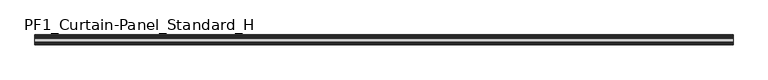
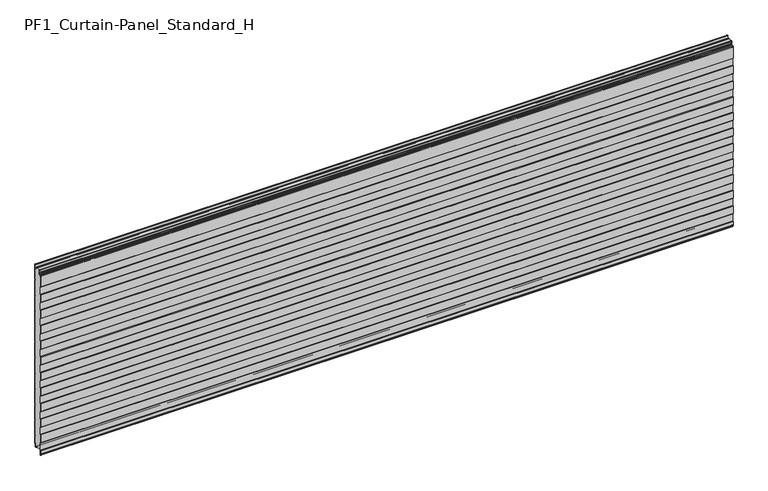
"""IFC4 building model written with IfcOpenShell, lengths in millimetres: plate geometry, PF1_Curtain-Panel_Standard_H."""

from ifc_helpers import new_model, si_unit, point, frame, frame_2d, origin, place, context, project, spatial, polyline, circle_curve, trimmed, segment, composite_curve, outline, extrude, source, transform, mapped, element, save


def pf1_curtain_panel_standard_h_1e0e9039(model_context):
    return source(origin(), model_context, "Body", "SweptSolid", [
        extrude(outline(composite_curve([segment(polyline([(-15.878557, 0.0), (-20.0, 0.0), (-20.0, 0.8), (-15.878557, 0.8)]), True, "CONTINUOUS"), segment(trimmed(circle_curve(frame_2d((-15.878557, -2.0)), 2.8), [point((-15.878557, 0.8))], [point((-13.1503208, -1.370137))], False, "CARTESIAN"), True, "CONTINUOUS"), segment(polyline([(-13.1503208, -1.370137), (-11.728236, -7.529863)]), True, "CONTINUOUS"), segment(trimmed(circle_curve(frame_2d((-9.0, -6.9)), 2.8), [point((-11.728236, -7.529863))], [point((-6.2, -6.9))], True, "CARTESIAN"), True, "CONTINUOUS"), segment(polyline([(-6.2, -6.9), (-6.2, 8.6)]), True, "CONTINUOUS"), segment(trimmed(circle_curve(frame_2d((-3.4, 8.6)), 2.8), [point((-6.2, 8.6))], [point((-3.4, 11.4))], False, "CARTESIAN"), True, "CONTINUOUS"), segment(polyline([(-3.4, 11.4), (-2.0, 11.4)]), True, "CONTINUOUS"), segment(trimmed(circle_curve(frame_2d((-2.0, 12.6)), 1.2), [point((-2.0, 11.4))], [point((-0.8, 12.6))], True, "CARTESIAN"), True, "CONTINUOUS"), segment(polyline([(-0.8, 12.6), (-0.8, 57.6856412), (-2.482606, 60.6), (-0.8, 63.5143588), (-0.8, 157.6856412), (-2.482606, 160.6), (-0.8, 163.5143588), (-0.8, 257.6856412), (-2.482606, 260.6), (-0.8, 263.5143588), (-0.8, 357.6856412), (-2.482606, 360.6), (-0.8, 363.5143588), (-0.8, 457.6856412), (-2.482606, 460.6), (-0.8, 463.5143588), (-0.8, 557.6856412), (-2.482606, 560.6), (-0.8, 563.5143588), (-0.8, 657.6856412), (-2.482606, 660.6), (-0.8, 663.5143588), (-0.8, 757.6856412), (-2.482606, 760.6), (-0.8, 763.5143588), (-0.8, 857.6856412), (-2.482606, 860.6), (-0.8, 863.5143588), (-0.8, 957.6856412), (-2.482606, 960.6), (-0.8, 963.5143588), (-0.8, 1057.6856412), (-2.482606, 1060.6), (-0.8, 1063.5143588), (-0.8, 1158.268846)]), True, "CONTINUOUS"), segment(trimmed(circle_curve(frame_2d((-2.5, 1158.268846)), 1.7), [point((-0.8, 1158.268846))], [point((-4.2, 1158.268846))], True, "CARTESIAN"), True, "CONTINUOUS"), segment(polyline([(-4.2, 1158.268846), (-4.2, 1141.268846)]), True, "CONTINUOUS"), segment(trimmed(circle_curve(frame_2d((-9.0, 1141.268846)), 4.8), [point((-4.2, 1141.268846))], [point((-13.7270771, 1140.4353344))], False, "CARTESIAN"), True, "CONTINUOUS"), segment(polyline([(-13.7270771, 1140.4353344), (-14.8636953, 1146.8814129)]), True, "CONTINUOUS"), segment(trimmed(circle_curve(frame_2d((-16.6363492, 1146.568846)), 1.8), [point((-14.8636953, 1146.8814129))], [point((-16.6363492, 1148.368846))], True, "CARTESIAN"), True, "CONTINUOUS"), segment(polyline([(-16.6363492, 1148.368846), (-20.0, 1148.368846), (-20.0, 1149.168846), (-16.6363492, 1149.168846)]), True, "CONTINUOUS"), segment(trimmed(circle_curve(frame_2d((-16.6363492, 1146.568846)), 2.6), [point((-16.6363492, 1149.168846))], [point((-14.0758491, 1147.0203315))], False, "CARTESIAN"), True, "CONTINUOUS"), segment(polyline([(-14.0758491, 1147.0203315), (-12.939231, 1140.574253)]), True, "CONTINUOUS"), segment(trimmed(circle_curve(frame_2d((-9.0, 1141.268846)), 4.0), [point((-12.939231, 1140.574253))], [point((-5.0, 1141.268846))], True, "CARTESIAN"), True, "CONTINUOUS"), segment(polyline([(-5.0, 1141.268846), (-5.0, 1158.268846)]), True, "CONTINUOUS"), segment(trimmed(circle_curve(frame_2d((-2.5, 1158.268846)), 2.5), [point((-5.0, 1158.268846))], [point((0.0, 1158.268846))], False, "CARTESIAN"), True, "CONTINUOUS"), segment(polyline([(0.0, 1158.268846), (0.0, 1063.2999995), (-1.5588455, 1060.6), (0.0, 1057.9000005), (0.0, 963.2999995), (-1.5588455, 960.6), (0.0, 957.9000005), (0.0, 863.2999995), (-1.5588455, 860.6), (0.0, 857.9000005), (0.0, 763.2999995), (-1.5588455, 760.6), (0.0, 757.9000005), (0.0, 663.2999995), (-1.5588455, 660.6), (0.0, 657.9000005), (0.0, 563.2999995), (-1.5588455, 560.6), (0.0, 557.9000005), (0.0, 463.2999995), (-1.5588455, 460.6), (0.0, 457.9000005), (0.0, 363.2999995), (-1.5588455, 360.6), (0.0, 357.9000005), (0.0, 263.2999995), (-1.5588455, 260.6), (0.0, 257.9000005), (0.0, 163.2999995), (-1.5588455, 160.6), (0.0, 157.9000005), (0.0, 63.2999995), (-1.5588455, 60.6), (0.0, 57.9000005), (0.0, 12.6)]), True, "CONTINUOUS"), segment(trimmed(circle_curve(frame_2d((-2.0, 12.6)), 2.0), [point((0.0, 12.6))], [point((-2.0, 10.6))], False, "CARTESIAN"), True, "CONTINUOUS"), segment(polyline([(-2.0, 10.6), (-3.4, 10.6)]), True, "CONTINUOUS"), segment(trimmed(circle_curve(frame_2d((-3.4, 8.6)), 2.0), [point((-3.4, 10.6))], [point((-5.4, 8.6))], True, "CARTESIAN"), True, "CONTINUOUS"), segment(polyline([(-5.4, 8.6), (-5.4, -6.9)]), True, "CONTINUOUS"), segment(trimmed(circle_curve(frame_2d((-9.0, -6.9)), 3.6), [point((-5.4, -6.9))], [point((-12.5077322, -7.7098239))], False, "CARTESIAN"), True, "CONTINUOUS"), segment(polyline([(-12.5077322, -7.7098239), (-13.929817, -1.5500979)]), True, "CONTINUOUS"), segment(trimmed(circle_curve(frame_2d((-15.878557, -2.0)), 2.0), [point((-13.929817, -1.5500979))], [point((-15.878557, 0.0))], True, "CARTESIAN"), True, "CONTINUOUS")], self_intersect=False)), frame((-2100.0, 0.0, 0.0), z_axis=(1.0, 0.0, 0.0), x_axis=(0.0, 1.0, 0.0)), (0.0, 0.0, 1.0), 4200.0),
        extrude(outline(composite_curve([segment(polyline([(-50.0, 0.0), (-53.5, 0.0)]), True, "CONTINUOUS"), segment(trimmed(circle_curve(frame_2d((-53.5, -2.0)), 2.0), [point((-53.5, 0.0))], [point((-55.5, -2.0))], True, "CARTESIAN"), True, "CONTINUOUS"), segment(polyline([(-55.5, -2.0), (-55.5, -33.0)]), True, "CONTINUOUS"), segment(trimmed(circle_curve(frame_2d((-56.5, -33.0)), 1.0), [point((-55.5, -33.0))], [point((-57.5, -33.0))], False, "CARTESIAN"), True, "CONTINUOUS"), segment(polyline([(-57.5, -33.0), (-57.5, -26.9)]), True, "CONTINUOUS"), segment(trimmed(circle_curve(frame_2d((-58.4, -26.9)), 0.9), [point((-57.5, -26.9))], [point((-58.4, -26.0))], True, "CARTESIAN"), True, "CONTINUOUS"), segment(trimmed(circle_curve(frame_2d((-58.4, -24.4)), 1.6), [point((-58.4, -26.0))], [point((-60.0, -24.4))], False, "CARTESIAN"), True, "CONTINUOUS"), segment(polyline([(-60.0, -24.4), (-60.0, -0.9952559), (-58.5, 1.6028217), (-58.5, 46.4028193), (-60.0, 49.0008969), (-60.0, 99.0047441), (-58.5, 101.6028217), (-58.5, 146.4028193), (-60.0, 149.0008969), (-60.0, 199.0047441), (-58.5, 201.6028217), (-58.5, 246.4028193), (-60.0, 249.0008969), (-60.0, 299.0047441), (-58.5, 301.6028217), (-58.5, 346.4028193), (-60.0, 349.0008969), (-60.0, 399.0047441), (-58.5, 401.6028217), (-58.5, 446.4028193), (-60.0, 449.0008969), (-60.0, 499.0047441), (-58.5, 501.6028217), (-58.5, 546.4028193), (-60.0, 549.0008969), (-60.0, 599.0047441), (-58.5, 601.6028217), (-58.5, 646.4028193), (-60.0, 649.0008969), (-60.0, 699.0047441), (-58.5, 701.6028217), (-58.5, 746.4028193), (-60.0, 749.0008969), (-60.0, 799.0047441), (-58.5, 801.6028217), (-58.5, 846.4028193), (-60.0, 849.0008969), (-60.0, 899.0047441), (-58.5, 901.6028217), (-58.5, 946.4028193), (-60.0, 949.0008969), (-60.0, 999.0047441), (-58.5, 1001.6028217), (-58.5, 1046.4028193), (-60.0, 1049.0008969), (-60.0, 1123.168846)]), True, "CONTINUOUS"), segment(trimmed(circle_curve(frame_2d((-59.0, 1123.168846)), 1.0), [point((-60.0, 1123.168846))], [point((-58.0, 1123.168846))], False, "CARTESIAN"), True, "CONTINUOUS"), segment(polyline([(-58.0, 1123.168846), (-58.0, 1117.168846)]), True, "CONTINUOUS"), segment(trimmed(circle_curve(frame_2d((-56.5, 1117.168846)), 1.5), [point((-58.0, 1117.168846))], [point((-55.0, 1117.168846))], True, "CARTESIAN"), True, "CONTINUOUS"), segment(polyline([(-55.0, 1117.168846), (-55.0, 1117.9964664)]), True, "CONTINUOUS"), segment(trimmed(circle_curve(frame_2d((-48.8276204, 1117.9964664)), 6.1723796), [point((-55.0, 1117.9964664))], [point((-48.8276204, 1124.168846))], False, "CARTESIAN"), True, "CONTINUOUS"), segment(polyline([(-48.8276204, 1124.168846), (-48.0, 1124.168846)]), True, "CONTINUOUS"), segment(trimmed(circle_curve(frame_2d((-48.0, 1125.168846)), 1.0), [point((-48.0, 1124.168846))], [point((-47.0, 1125.168846))], True, "CARTESIAN"), True, "CONTINUOUS"), segment(polyline([(-47.0, 1125.168846), (-47.0, 1131.6688472), (-45.4999999, 1133.168846), (-47.0, 1134.6688448), (-47.0, 1146.568846)]), True, "CONTINUOUS"), segment(trimmed(circle_curve(frame_2d((-44.4, 1146.568846)), 2.6), [point((-47.0, 1146.568846))], [point((-44.4, 1149.168846))], False, "CARTESIAN"), True, "CONTINUOUS"), segment(polyline([(-44.4, 1149.168846), (-43.0, 1149.168846), (-43.0, 1148.368846), (-44.4, 1148.368846)]), True, "CONTINUOUS"), segment(trimmed(circle_curve(frame_2d((-44.4, 1146.568846)), 1.8), [point((-44.4, 1148.368846))], [point((-46.2, 1146.568846))], True, "CARTESIAN"), True, "CONTINUOUS"), segment(polyline([(-46.2, 1146.568846), (-46.2, 1135.0002158), (-44.3686285, 1133.168846), (-46.2, 1131.3374762), (-46.2, 1125.168846)]), True, "CONTINUOUS"), segment(trimmed(circle_curve(frame_2d((-48.0, 1125.168846)), 1.8), [point((-46.2, 1125.168846))], [point((-48.0, 1123.368846))], False, "CARTESIAN"), True, "CONTINUOUS"), segment(polyline([(-48.0, 1123.368846), (-48.8276204, 1123.368846)]), True, "CONTINUOUS"), segment(trimmed(circle_curve(frame_2d((-48.8276204, 1117.9964664)), 5.3723796), [point((-48.8276204, 1123.368846))], [point((-54.2, 1117.9964664))], True, "CARTESIAN"), True, "CONTINUOUS"), segment(polyline([(-54.2, 1117.9964664), (-54.2, 1117.168846)]), True, "CONTINUOUS"), segment(trimmed(circle_curve(frame_2d((-56.4, 1117.168846)), 2.2), [point((-54.2, 1117.168846))], [point((-58.6, 1117.168846))], False, "CARTESIAN"), True, "CONTINUOUS"), segment(polyline([(-58.6, 1117.168846), (-58.6, 1123.0579973)]), True, "CONTINUOUS"), segment(trimmed(circle_curve(frame_2d((-58.9, 1123.0579973)), 0.3), [point((-58.6, 1123.0579973))], [point((-59.2, 1123.0579973))], True, "CARTESIAN"), True, "CONTINUOUS"), segment(polyline([(-59.2, 1123.0579973), (-59.2, 1049.2152562), (-57.7, 1046.6171786), (-57.7, 1001.3884624), (-59.2, 998.7903848), (-59.2, 949.2152562), (-57.7, 946.6171786), (-57.7, 901.3884624), (-59.2, 898.7903848), (-59.2, 849.2152562), (-57.7, 846.6171786), (-57.7, 801.3884624), (-59.2, 798.7903848), (-59.2, 749.2152562), (-57.7, 746.6171786), (-57.7, 701.3884624), (-59.2, 698.7903848), (-59.2, 649.2152562), (-57.7, 646.6171786), (-57.7, 601.3884624), (-59.2, 598.7903848), (-59.2, 549.2152562), (-57.7, 546.6171786), (-57.7, 501.3884624), (-59.2, 498.7903848), (-59.2, 449.2152562), (-57.7, 446.6171786), (-57.7, 401.3884624), (-59.2, 398.7903848), (-59.2, 349.2152562), (-57.7, 346.6171786), (-57.7, 301.3884624), (-59.2, 298.7903848), (-59.2, 249.2152562), (-57.7, 246.6171786), (-57.7, 201.3884624), (-59.2, 198.7903848), (-59.2, 149.2152562), (-57.7, 146.6171786), (-57.7, 101.3884624), (-59.2, 98.7903848), (-59.2, 49.2152562), (-57.7, 46.6171786), (-57.7, 1.3884624), (-59.2, -1.2096152), (-59.2, -24.4)]), True, "CONTINUOUS"), segment(trimmed(circle_curve(frame_2d((-58.4, -24.4)), 0.8), [point((-59.2, -24.4))], [point((-58.4, -25.2))], True, "CARTESIAN"), True, "CONTINUOUS"), segment(trimmed(circle_curve(frame_2d((-58.6133333, -26.9)), 1.7133333), [point((-58.4, -25.2))], [point((-56.9, -26.9))], False, "CARTESIAN"), True, "CONTINUOUS"), segment(polyline([(-56.9, -26.9), (-56.9, -32.8700312)]), True, "CONTINUOUS"), segment(trimmed(circle_curve(frame_2d((-56.6, -32.8700312)), 0.3), [point((-56.9, -32.8700312))], [point((-56.3, -32.8700312))], True, "CARTESIAN"), True, "CONTINUOUS"), segment(polyline([(-56.3, -32.8700312), (-56.3, -2.0)]), True, "CONTINUOUS"), segment(trimmed(circle_curve(frame_2d((-53.5, -2.0)), 2.8), [point((-56.3, -2.0))], [point((-53.5, 0.8))], False, "CARTESIAN"), True, "CONTINUOUS"), segment(polyline([(-53.5, 0.8), (-50.0, 0.8), (-50.0, 0.0)]), True, "CONTINUOUS")], self_intersect=False)), frame((-2100.0, 0.0, 0.0), z_axis=(1.0, 0.0, 0.0), x_axis=(0.0, 1.0, 0.0)), (0.0, 0.0, 1.0), 4200.0),
        extrude(outline(composite_curve([segment(polyline([(-50.0, 0.8), (-53.5, 0.8)]), True, "CONTINUOUS"), segment(trimmed(circle_curve(frame_2d((-53.5, -2.0)), 2.8), [point((-53.5, 0.8))], [point((-56.3, -2.0))], True, "CARTESIAN"), True, "CONTINUOUS"), segment(polyline([(-56.3, -2.0), (-56.3, -32.8700312)]), True, "CONTINUOUS"), segment(trimmed(circle_curve(frame_2d((-56.6, -32.8700312)), 0.3), [point((-56.3, -32.8700312))], [point((-56.9, -32.8700312))], False, "CARTESIAN"), True, "CONTINUOUS"), segment(polyline([(-56.9, -32.8700312), (-56.9, -26.9)]), True, "CONTINUOUS"), segment(trimmed(circle_curve(frame_2d((-58.6133333, -26.9)), 1.7133333), [point((-56.9, -26.9))], [point((-58.4, -25.2))], True, "CARTESIAN"), True, "CONTINUOUS"), segment(trimmed(circle_curve(frame_2d((-58.4, -24.4)), 0.8), [point((-58.4, -25.2))], [point((-59.2, -24.4))], False, "CARTESIAN"), True, "CONTINUOUS"), segment(polyline([(-59.2, -24.4), (-59.2, -1.2096152), (-57.7, 1.3884624), (-57.7, 46.6171786), (-59.2, 49.2152562), (-59.2, 98.7903848), (-57.7, 101.3884624), (-57.7, 146.6171786), (-59.2, 149.2152562), (-59.2, 198.7903848), (-57.7, 201.3884624), (-57.7, 246.6171786), (-59.2, 249.2152562), (-59.2, 298.7903848), (-57.7, 301.3884624), (-57.7, 346.6171786), (-59.2, 349.2152562), (-59.2, 398.7903848), (-57.7, 401.3884624), (-57.7, 446.6171786), (-59.2, 449.2152562), (-59.2, 498.7903848), (-57.7, 501.3884624), (-57.7, 546.6171786), (-59.2, 549.2152562), (-59.2, 598.7903848), (-57.7, 601.3884624), (-57.7, 646.6171786), (-59.2, 649.2152562), (-59.2, 698.7903848), (-57.7, 701.3884624), (-57.7, 746.6171786), (-59.2, 749.2152562), (-59.2, 798.7903848), (-57.7, 801.3884624), (-57.7, 846.6171786), (-59.2, 849.2152562), (-59.2, 898.7903848), (-57.7, 901.3884624), (-57.7, 946.6171786), (-59.2, 949.2152562), (-59.2, 998.7903848), (-57.7, 1001.3884624), (-57.7, 1046.6171786), (-59.2, 1049.2152562), (-59.2, 1123.0579973)]), True, "CONTINUOUS"), segment(trimmed(circle_curve(frame_2d((-58.9, 1123.0579973)), 0.3), [point((-59.2, 1123.0579973))], [point((-58.6, 1123.0579973))], False, "CARTESIAN"), True, "CONTINUOUS"), segment(polyline([(-58.6, 1123.0579973), (-58.6, 1117.168846)]), True, "CONTINUOUS"), segment(trimmed(circle_curve(frame_2d((-56.4, 1117.168846)), 2.2), [point((-58.6, 1117.168846))], [point((-54.2, 1117.168846))], True, "CARTESIAN"), True, "CONTINUOUS"), segment(polyline([(-54.2, 1117.168846), (-54.2, 1117.9964664)]), True, "CONTINUOUS"), segment(trimmed(circle_curve(frame_2d((-48.8276204, 1117.9964664)), 5.3723796), [point((-54.2, 1117.9964664))], [point((-48.8276204, 1123.368846))], False, "CARTESIAN"), True, "CONTINUOUS"), segment(polyline([(-48.8276204, 1123.368846), (-48.0, 1123.368846)]), True, "CONTINUOUS"), segment(trimmed(circle_curve(frame_2d((-48.0, 1125.168846)), 1.8), [point((-48.0, 1123.368846))], [point((-46.2, 1125.168846))], True, "CARTESIAN"), True, "CONTINUOUS"), segment(polyline([(-46.2, 1125.168846), (-46.2, 1131.3374762), (-44.3686285, 1133.168846), (-46.2, 1135.0002158), (-46.2, 1146.568846)]), True, "CONTINUOUS"), segment(trimmed(circle_curve(frame_2d((-44.4, 1146.568846)), 1.8), [point((-46.2, 1146.568846))], [point((-44.4, 1148.368846))], False, "CARTESIAN"), True, "CONTINUOUS"), segment(polyline([(-44.4, 1148.368846), (-43.0, 1148.368846), (-43.0, 1149.168846), (-20.0, 1149.168846), (-20.0, 1148.368846), (-16.6363492, 1148.368846)]), True, "CONTINUOUS"), segment(trimmed(circle_curve(frame_2d((-16.6363492, 1146.568846)), 1.8), [point((-16.6363492, 1148.368846))], [point((-14.8636953, 1146.8814129))], False, "CARTESIAN"), True, "CONTINUOUS"), segment(polyline([(-14.8636953, 1146.8814129), (-13.7270772, 1140.4353344)]), True, "CONTINUOUS"), segment(trimmed(circle_curve(frame_2d((-9.0, 1141.268846)), 4.8), [point((-13.7270772, 1140.4353344))], [point((-4.2, 1141.268846))], True, "CARTESIAN"), True, "CONTINUOUS"), segment(polyline([(-4.2, 1141.268846), (-4.2, 1158.268846)]), True, "CONTINUOUS"), segment(trimmed(circle_curve(frame_2d((-2.5, 1158.268846)), 1.7), [point((-4.2, 1158.268846))], [point((-0.8, 1158.268846))], False, "CARTESIAN"), True, "CONTINUOUS"), segment(polyline([(-0.8, 1158.268846), (-0.8, 1063.5143588), (-2.482606, 1060.6), (-0.8, 1057.6856412), (-0.8, 963.5143588), (-2.482606, 960.6), (-0.8, 957.6856412), (-0.8, 863.5143588), (-2.482606, 860.6), (-0.8, 857.6856412), (-0.8, 763.5143588), (-2.482606, 760.6), (-0.8, 757.6856412), (-0.8, 663.5143588), (-2.482606, 660.6), (-0.8, 657.6856412), (-0.8, 563.5143588), (-2.482606, 560.6), (-0.8, 557.6856412), (-0.8, 463.5143588), (-2.482606, 460.6), (-0.8, 457.6856412), (-0.8, 363.5143588), (-2.482606, 360.6), (-0.8, 357.6856412), (-0.8, 263.5143588), (-2.482606, 260.6), (-0.8, 257.6856412), (-0.8, 163.5143588), (-2.482606, 160.6), (-0.8, 157.6856412), (-0.8, 63.5143588), (-2.482606, 60.6), (-0.8, 57.6856412), (-0.8, 12.6)]), True, "CONTINUOUS"), segment(trimmed(circle_curve(frame_2d((-2.0, 12.6)), 1.2), [point((-0.8, 12.6))], [point((-2.0, 11.4))], False, "CARTESIAN"), True, "CONTINUOUS"), segment(polyline([(-2.0, 11.4), (-3.4, 11.4)]), True, "CONTINUOUS"), segment(trimmed(circle_curve(frame_2d((-3.4, 8.6)), 2.8), [point((-3.4, 11.4))], [point((-6.2, 8.6))], True, "CARTESIAN"), True, "CONTINUOUS"), segment(polyline([(-6.2, 8.6), (-6.2, -6.9)]), True, "CONTINUOUS"), segment(trimmed(circle_curve(frame_2d((-9.0, -6.9)), 2.8), [point((-6.2, -6.9))], [point((-11.7282362, -7.529863))], False, "CARTESIAN"), True, "CONTINUOUS"), segment(polyline([(-11.7282362, -7.529863), (-13.1503208, -1.370137)]), True, "CONTINUOUS"), segment(trimmed(circle_curve(frame_2d((-15.878557, -2.0)), 2.8), [point((-13.1503208, -1.370137))], [point((-15.878557, 0.8))], True, "CARTESIAN"), True, "CONTINUOUS"), segment(polyline([(-15.878557, 0.8), (-20.0, 0.8), (-20.0, 0.0), (-50.0, 0.0), (-50.0, 0.8)]), True, "CONTINUOUS")], self_intersect=False)), frame((-2100.0, 0.0, 0.0), z_axis=(1.0, 0.0, 0.0), x_axis=(0.0, 1.0, 0.0)), (0.0, 0.0, 1.0), 4200.0),
    ])


if __name__ == "__main__":
    model = new_model("IFC4")
    model_context = context("Model", 3, world=origin())
    ifc_project = project(units=[si_unit("LENGTHUNIT", "METRE", prefix="MILLI")], contexts=[model_context])
    site = spatial("IfcSite", under=ifc_project)
    building = spatial("IfcBuilding", under=site)
    placement = place(None, origin())
    pf1_curtain_panel_standard_h_shape = pf1_curtain_panel_standard_h_1e0e9039(model_context)
    element("IfcPlate", 1, ObjectType="PF1_Curtain-Panel_Standard_H", at=placement, inside=building, context=model_context, shape_type="MappedRepresentation", body=[
        mapped(pf1_curtain_panel_standard_h_shape, transform((0.0, 0.0, 0.0), x_axis=(1.0, 0.0, 0.0), y_axis=(0.0, 1.0, 0.0), z_axis=(0.0, 0.0, 1.0))),
    ])
    save(model, "model.ifc")
